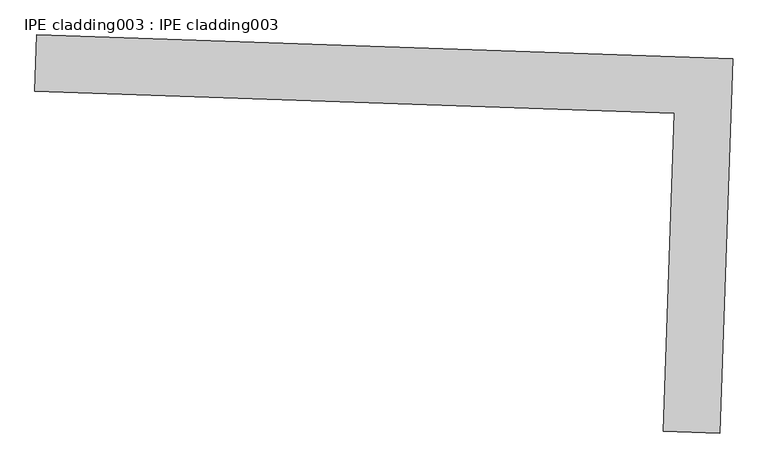
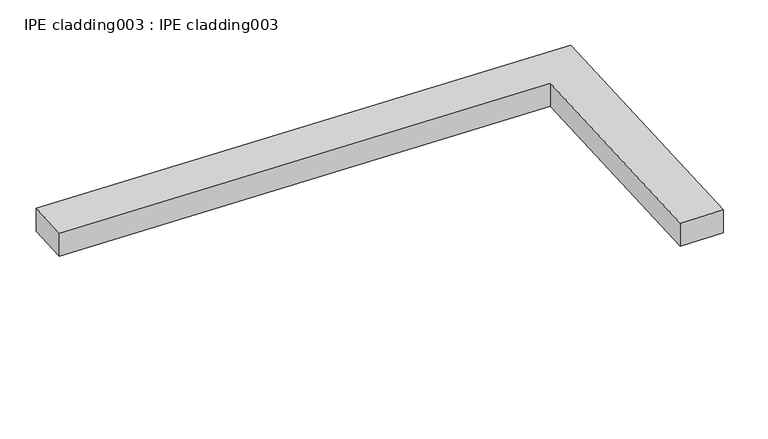
"""IFC4 building model written with IfcOpenShell, lengths in millimetres: proxy geometry, IPE cladding003 : IPE cladding003."""

from ifc_helpers import new_model, si_unit, frame, origin, place, context, project, spatial, polyline, outline, extrude, source, transform, mapped, element, save


def ipe_cladding003_ipe_cladding003_038de085(model_context):
    return source(origin(), model_context, "Body", "SweptSolid", [
        extrude(outline(polyline([(17306.5036746, -14579.7358917), (17309.5442115, -14490.8879028), (18404.9713731, -14528.3753754), (18384.8189499, -15117.252414), (18295.9709608, -15114.2118773), (18313.0828475, -14614.1828274), (17306.5036746, -14579.7358917)])), frame((0.0, 0.0, 531.175707), z_axis=(0.0, 0.0, 1.0), x_axis=(1.0, 0.0, 0.0)), (0.0, 0.0, 1.0), 50.8),
    ])


if __name__ == "__main__":
    model = new_model("IFC4")
    model_context = context("Model", 3, world=origin())
    ifc_project = project(units=[si_unit("LENGTHUNIT", "METRE", prefix="MILLI")], contexts=[model_context])
    site = spatial("IfcSite", under=ifc_project)
    building = spatial("IfcBuilding", under=site)
    placement = place(None, origin())
    ipe_cladding003_ipe_cladding003_shape = ipe_cladding003_ipe_cladding003_038de085(model_context)
    element("IfcBuildingElementProxy", 1, Name="IPE cladding003 : IPE cladding003", ObjectType="IPE cladding003 : IPE cladding003", at=placement, inside=building, context=model_context, shape_type="MappedRepresentation", body=[
        mapped(ipe_cladding003_ipe_cladding003_shape, transform((0.0, 0.0, 0.0), x_axis=(1.0, 0.0, 0.0), y_axis=(0.0, 1.0, 0.0), z_axis=(0.0, 0.0, 1.0))),
    ])
    save(model, "model.ifc")
